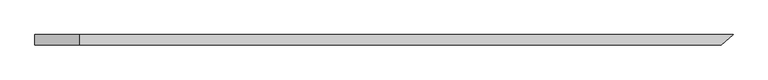
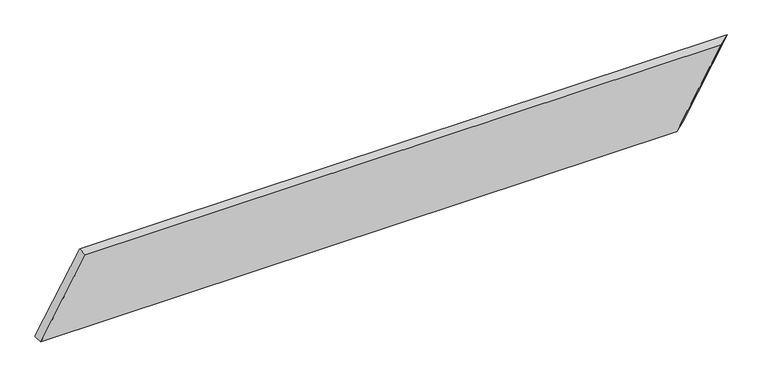
"""IFC4 building model written with IfcOpenShell, lengths in millimetres: beam geometry."""

import ifcopenshell
import ifcopenshell.guid

model = None  # the IFC model being written
_history = None  # IfcOwnerHistory: only IFC2X3 demands one
_inside = {}  # id of a spatial element -> (the spatial element, [elements in it])
_under = {}  # id of a project, library or spatial element -> (it, [spatial elements below it])
_declared = {}  # id of a project -> (the project, [libraries it declares])
_typed = {}  # id of a type object -> (the type object, [elements of that type])
_made_of = {}  # id of a material, layer set ... -> (it, [elements and type objects made of it])


def new_model(schema):
    """Start an empty IFC model of exactly this schema.

    Asked for "IFC4X3", IfcOpenShell would pick the latest addendum, in which some entities
    have other attributes; the version numbers below select the first issue.
    IFC2X3 requires an IfcOwnerHistory on every rooted entity: one is made here for all.
    """
    global model, _history
    if schema == "IFC4X3":
        model = ifcopenshell.file(schema_version=(4, 3, 0, 0))
    else:
        model = ifcopenshell.file(schema=schema)
    _inside.clear()
    _under.clear()
    _declared.clear()
    _typed.clear()
    _made_of.clear()
    _history = None
    if model.schema == "IFC2X3":
        org = make("IfcOrganization", Name="unknown")
        user = make(
            "IfcPersonAndOrganization",
            ThePerson=make("IfcPerson", FamilyName="unknown"),
            TheOrganization=org,
        )
        app = make(
            "IfcApplication",
            ApplicationDeveloper=org,
            Version="unknown",
            ApplicationFullName="unknown",
            ApplicationIdentifier="unknown",
        )
        _history = make(
            "IfcOwnerHistory",
            OwningUser=user,
            OwningApplication=app,
            ChangeAction="ADDED",
            CreationDate=0,
        )
    return model


def make(cls, **values):
    """One entity of the class cls with the attributes given. An attribute that is None is left unset."""
    return model.create_entity(
        cls, **{name: value for name, value in values.items() if value is not None}
    )


def rooted(cls, **values):
    """An entity with a GlobalId (a new one), such as an element, a storey or a relation."""
    return make(cls, GlobalId=ifcopenshell.guid.new(), OwnerHistory=_history, **values)


def si_unit(unit_type, name, prefix=None):
    """IfcSIUnit, for example si_unit("LENGTHUNIT", "METRE", prefix="MILLI")."""
    return make("IfcSIUnit", UnitType=unit_type, Prefix=prefix, Name=name)


def assignment(units):
    """IfcUnitAssignment: the units of a project."""
    return None if units is None else make("IfcUnitAssignment", Units=units)


def point(xyz):
    """IfcCartesianPoint."""
    return None if xyz is None else make("IfcCartesianPoint", Coordinates=xyz)


def direction(xyz):
    """IfcDirection."""
    return None if xyz is None else make("IfcDirection", DirectionRatios=xyz)


def frame(location, z_axis=None, x_axis=None):
    """IfcAxis2Placement3D, a coordinate frame: its origin and axes. An axis left out is left unset."""
    return make(
        "IfcAxis2Placement3D",
        Location=point(location),
        Axis=direction(z_axis),
        RefDirection=direction(x_axis),
    )


def origin():
    """The frame at (0, 0, 0) with its axes left unset."""
    return frame((0.0, 0.0, 0.0))


def place(relative_to, where):
    """IfcLocalPlacement: puts the frame where relative to a parent placement (None: the world)."""
    return make(
        "IfcLocalPlacement", PlacementRelTo=relative_to, RelativePlacement=where
    )


def context(
    kind, dimensions, precision=None, world=None, true_north=None, identifier=None
):
    """IfcGeometricRepresentationContext, for example the 3D "Model" context."""
    return make(
        "IfcGeometricRepresentationContext",
        ContextIdentifier=identifier,
        ContextType=kind,
        CoordinateSpaceDimension=dimensions,
        Precision=precision,
        WorldCoordinateSystem=world,
        TrueNorth=true_north,
    )


def project(units=None, contexts=None):
    """IfcProject with its units and contexts."""
    return rooted(
        "IfcProject",
        Name="project",
        RepresentationContexts=contexts,
        UnitsInContext=assignment(units),
    )


def spatial(cls, under=None, at=None, **own):
    """A site, building, storey or space (cls), placed at a placement, below another one or the project."""
    s = rooted(cls, ObjectPlacement=at, **own)
    if under is not None:
        _under.setdefault(under.id(), (under, []))[1].append(s)
    return s


def faces_of(points, faces, orient=None, outer=None):
    """IfcFace entities. A face is a list of loops; a loop is a list of indices into points, from 0.

    orient and outer hold one flag for each loop. By default every Orientation is true, the
    first loop of a face is its IfcFaceOuterBound and the others are IfcFaceBound.
    """
    made = []
    for i, loops in enumerate(faces):
        bounds = []
        for j, loop in enumerate(loops):
            is_outer = j == 0 if outer is None else outer[i][j]
            bounds.append(
                make(
                    "IfcFaceOuterBound" if is_outer else "IfcFaceBound",
                    Bound=make("IfcPolyLoop", Polygon=[points[k] for k in loop]),
                    Orientation=True if orient is None else orient[i][j],
                )
            )
        made.append(make("IfcFace", Bounds=bounds))
    return made


def faceted_brep(points, faces, orient=None, outer=None, voids=None):
    """IfcFacetedBrep: a solid bounded by flat faces; with voids (closed shells), ...WithVoids."""
    shared = [point(p) for p in points]
    hull = make("IfcClosedShell", CfsFaces=faces_of(shared, faces, orient, outer))
    if voids is None:
        return make("IfcFacetedBrep", Outer=hull)
    return make(
        "IfcFacetedBrepWithVoids",
        Outer=hull,
        Voids=[
            make(cls, CfsFaces=faces_of(shared, fs, o, b)) for cls, fs, o, b in voids
        ],
    )


def shape(context_of_items, identifier, shape_type, items):
    """IfcShapeRepresentation: the items that make up one representation, for example the "Body"."""
    return make(
        "IfcShapeRepresentation",
        ContextOfItems=context_of_items,
        RepresentationIdentifier=identifier,
        RepresentationType=shape_type,
        Items=items,
    )


def source(mapping_origin, context_of_items, identifier, shape_type, items):
    """IfcRepresentationMap: a shape defined once, which mapped items show again and again."""
    return make(
        "IfcRepresentationMap",
        MappingOrigin=mapping_origin,
        MappedRepresentation=shape(context_of_items, identifier, shape_type, items),
    )


def transform(
    local_origin,
    x_axis=None,
    y_axis=None,
    z_axis=None,
    scale=None,
    scale2=None,
    scale3=None,
    uniform=True,
):
    """IfcCartesianTransformationOperator3D, or its non-uniform kind. x_axis, y_axis, z_axis: its Axis1, 2, 3."""
    if uniform:
        return make(
            "IfcCartesianTransformationOperator3D",
            Axis1=direction(x_axis),
            Axis2=direction(y_axis),
            LocalOrigin=point(local_origin),
            Scale=scale,
            Axis3=direction(z_axis),
        )
    return make(
        "IfcCartesianTransformationOperator3DnonUniform",
        Axis1=direction(x_axis),
        Axis2=direction(y_axis),
        LocalOrigin=point(local_origin),
        Scale=scale,
        Axis3=direction(z_axis),
        Scale2=scale2,
        Scale3=scale3,
    )


def mapped(mapping_source, mapping_target):
    """IfcMappedItem: shows the shape of a source again, moved by a transform."""
    return make(
        "IfcMappedItem", MappingSource=mapping_source, MappingTarget=mapping_target
    )


def made_of(thing, what):
    """Note that an element or type object is made of a material, layer set ...; save() writes the relation."""
    if what is not None:
        _made_of.setdefault(what.id(), (what, []))[1].append(thing)
    return thing


def element(
    cls,
    number,
    at=None,
    inside=None,
    cuts=None,
    type_object=None,
    material=None,
    context=None,
    identifier="Body",
    shape_type=None,
    held_by="IfcProductDefinitionShape",
    body=None,
    shapes=None,
    **own,
):
    """One element of the class cls, such as IfcWall. Its Tag is "e" and its number.

    at: its placement. inside: the storey or other place that contains it. cuts: it is an
    opening in that element (IfcRelVoidsElement). A single representation is given by context,
    identifier, shape_type and body (its items); several are given by shapes. held_by: the class
    of the entity that holds the representations. save() writes the other relations.
    """
    e = rooted(cls, Tag="e%d" % number, ObjectPlacement=at, **own)
    if body is not None:
        shapes = [shape(context, identifier, shape_type, body)]
    if shapes is not None:
        e.Representation = make(held_by, Representations=shapes)
    if inside is not None:
        _inside.setdefault(inside.id(), (inside, []))[1].append(e)
    if cuts is not None:
        rooted(
            "IfcRelVoidsElement", RelatingBuildingElement=cuts, RelatedOpeningElement=e
        )
    if type_object is not None:
        _typed.setdefault(type_object.id(), (type_object, []))[1].append(e)
    return made_of(e, material)


def aggregate(whole, parts):
    """IfcRelAggregates: a whole, such as a stair, and the parts it consists of."""
    return rooted("IfcRelAggregates", RelatingObject=whole, RelatedObjects=parts)


def save(model, path):
    """Write the relations noted so far, then the file.

    IfcRelAggregates (storeys below a building ...), IfcRelContainedInSpatialStructure (elements
    in a storey), IfcRelDefinesByType, IfcRelAssociatesMaterial and IfcRelDeclares: one each for
    every whole, place, type object, material and project.
    """
    for whole, parts in _under.values():
        aggregate(whole, parts)
    for where, things in _inside.values():
        rooted(
            "IfcRelContainedInSpatialStructure",
            RelatedElements=things,
            RelatingStructure=where,
        )
    for kind, things in _typed.values():
        rooted("IfcRelDefinesByType", RelatedObjects=things, RelatingType=kind)
    for what, things in _made_of.values():
        rooted("IfcRelAssociatesMaterial", RelatedObjects=things, RelatingMaterial=what)
    for by, libraries in _declared.values():
        rooted("IfcRelDeclares", RelatingContext=by, RelatedDefinitions=libraries)
    model.write(path)


def beam_f9e5925c(model_context):
    return source(origin(), model_context, "Body", "Brep", [
        faceted_brep([(1259.8129027, -19.05, 142.875), (-1115.1796575, -19.05, 142.875), (-1281.8671575, -19.05, -142.875), (1093.1254027, -19.05, -142.875), (1303.9214123, 19.05, 142.875), (1137.2339123, 19.05, -142.875), (-1281.8671575, 19.05, -142.875), (-1115.1796575, 19.05, 142.875)], [[[0, 1, 2, 3]], [[4, 5, 6, 7]], [[5, 4, 0, 3]], [[6, 5, 3, 2]], [[7, 6, 2, 1]], [[4, 7, 1, 0]]]),
    ])


if __name__ == "__main__":
    model = new_model("IFC4")
    model_context = context("Model", 3, world=origin())
    ifc_project = project(units=[si_unit("LENGTHUNIT", "METRE", prefix="MILLI")], contexts=[model_context])
    site = spatial("IfcSite", under=ifc_project)
    building = spatial("IfcBuilding", under=site)
    placement = place(None, origin())
    beam_shape = beam_f9e5925c(model_context)
    element("IfcBeam", 1, at=placement, inside=building, context=model_context, shape_type="MappedRepresentation", body=[
        mapped(beam_shape, transform((0.0, 0.0, 0.0), x_axis=(1.0, 0.0, 0.0), y_axis=(0.0, 1.0, 0.0), z_axis=(0.0, 0.0, 1.0))),
    ])
    save(model, "model.ifc")
